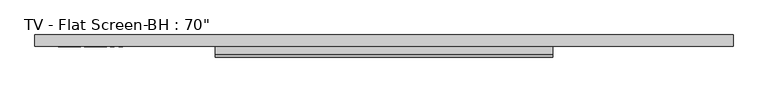
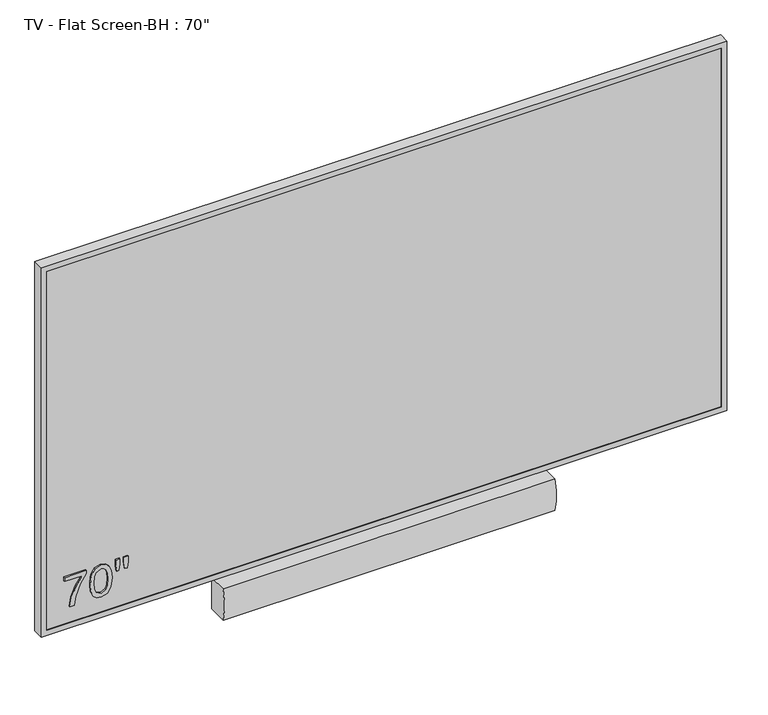
"""IFC4 building model written with IfcOpenShell, lengths in millimetres: proxy geometry."""

import ifcopenshell
import ifcopenshell.guid

model = None  # the IFC model being written
_history = None  # IfcOwnerHistory: only IFC2X3 demands one
_inside = {}  # id of a spatial element -> (the spatial element, [elements in it])
_under = {}  # id of a project, library or spatial element -> (it, [spatial elements below it])
_declared = {}  # id of a project -> (the project, [libraries it declares])
_typed = {}  # id of a type object -> (the type object, [elements of that type])
_made_of = {}  # id of a material, layer set ... -> (it, [elements and type objects made of it])


def new_model(schema):
    """Start an empty IFC model of exactly this schema.

    Asked for "IFC4X3", IfcOpenShell would pick the latest addendum, in which some entities
    have other attributes; the version numbers below select the first issue.
    IFC2X3 requires an IfcOwnerHistory on every rooted entity: one is made here for all.
    """
    global model, _history
    if schema == "IFC4X3":
        model = ifcopenshell.file(schema_version=(4, 3, 0, 0))
    else:
        model = ifcopenshell.file(schema=schema)
    _inside.clear()
    _under.clear()
    _declared.clear()
    _typed.clear()
    _made_of.clear()
    _history = None
    if model.schema == "IFC2X3":
        org = make("IfcOrganization", Name="unknown")
        user = make(
            "IfcPersonAndOrganization",
            ThePerson=make("IfcPerson", FamilyName="unknown"),
            TheOrganization=org,
        )
        app = make(
            "IfcApplication",
            ApplicationDeveloper=org,
            Version="unknown",
            ApplicationFullName="unknown",
            ApplicationIdentifier="unknown",
        )
        _history = make(
            "IfcOwnerHistory",
            OwningUser=user,
            OwningApplication=app,
            ChangeAction="ADDED",
            CreationDate=0,
        )
    return model


def make(cls, **values):
    """One entity of the class cls with the attributes given. An attribute that is None is left unset."""
    return model.create_entity(
        cls, **{name: value for name, value in values.items() if value is not None}
    )


def rooted(cls, **values):
    """An entity with a GlobalId (a new one), such as an element, a storey or a relation."""
    return make(cls, GlobalId=ifcopenshell.guid.new(), OwnerHistory=_history, **values)


def si_unit(unit_type, name, prefix=None):
    """IfcSIUnit, for example si_unit("LENGTHUNIT", "METRE", prefix="MILLI")."""
    return make("IfcSIUnit", UnitType=unit_type, Prefix=prefix, Name=name)


def assignment(units):
    """IfcUnitAssignment: the units of a project."""
    return None if units is None else make("IfcUnitAssignment", Units=units)


def point(xyz):
    """IfcCartesianPoint."""
    return None if xyz is None else make("IfcCartesianPoint", Coordinates=xyz)


def direction(xyz):
    """IfcDirection."""
    return None if xyz is None else make("IfcDirection", DirectionRatios=xyz)


def frame(location, z_axis=None, x_axis=None):
    """IfcAxis2Placement3D, a coordinate frame: its origin and axes. An axis left out is left unset."""
    return make(
        "IfcAxis2Placement3D",
        Location=point(location),
        Axis=direction(z_axis),
        RefDirection=direction(x_axis),
    )


def frame_2d(location, x_axis=None):
    """IfcAxis2Placement2D, a coordinate frame in the plane: its origin and x axis."""
    return make(
        "IfcAxis2Placement2D", Location=point(location), RefDirection=direction(x_axis)
    )


def origin():
    """The frame at (0, 0, 0) with its axes left unset."""
    return frame((0.0, 0.0, 0.0))


def place(relative_to, where):
    """IfcLocalPlacement: puts the frame where relative to a parent placement (None: the world)."""
    return make(
        "IfcLocalPlacement", PlacementRelTo=relative_to, RelativePlacement=where
    )


def context(
    kind, dimensions, precision=None, world=None, true_north=None, identifier=None
):
    """IfcGeometricRepresentationContext, for example the 3D "Model" context."""
    return make(
        "IfcGeometricRepresentationContext",
        ContextIdentifier=identifier,
        ContextType=kind,
        CoordinateSpaceDimension=dimensions,
        Precision=precision,
        WorldCoordinateSystem=world,
        TrueNorth=true_north,
    )


def project(units=None, contexts=None):
    """IfcProject with its units and contexts."""
    return rooted(
        "IfcProject",
        Name="project",
        RepresentationContexts=contexts,
        UnitsInContext=assignment(units),
    )


def spatial(cls, under=None, at=None, **own):
    """A site, building, storey or space (cls), placed at a placement, below another one or the project."""
    s = rooted(cls, ObjectPlacement=at, **own)
    if under is not None:
        _under.setdefault(under.id(), (under, []))[1].append(s)
    return s


def polyline(points):
    """IfcPolyline through the points."""
    return make("IfcPolyline", Points=[point(p) for p in points])


def circle_curve(where, radius):
    """IfcCircle in the frame where."""
    return make("IfcCircle", Position=where, Radius=radius)


def trimmed(basis, trim1, trim2, sense, master):
    """IfcTrimmedCurve: the piece of a basis curve between two trims."""
    return make(
        "IfcTrimmedCurve",
        BasisCurve=basis,
        Trim1=trim1,
        Trim2=trim2,
        SenseAgreement=sense,
        MasterRepresentation=master,
    )


def segment(curve, same_sense, transition):
    """IfcCompositeCurveSegment."""
    return make(
        "IfcCompositeCurveSegment",
        Transition=transition,
        SameSense=same_sense,
        ParentCurve=curve,
    )


def composite_curve(segments, self_intersect=None):
    """IfcCompositeCurve: segments joined end to end."""
    return make("IfcCompositeCurve", Segments=segments, SelfIntersect=self_intersect)


def outline(outer, holes=None, kind="AREA"):
    """IfcArbitraryClosedProfileDef: a profile drawn as a closed curve; with holes, ...WithVoids."""
    if holes is None:
        return make("IfcArbitraryClosedProfileDef", ProfileType=kind, OuterCurve=outer)
    return make(
        "IfcArbitraryProfileDefWithVoids",
        ProfileType=kind,
        OuterCurve=outer,
        InnerCurves=holes,
    )


def extrude(swept, where, along, depth):
    """IfcExtrudedAreaSolid: the profile swept, set in the frame where, extruded along a direction by depth."""
    return make(
        "IfcExtrudedAreaSolid",
        SweptArea=swept,
        Position=where,
        ExtrudedDirection=direction(along),
        Depth=depth,
    )


def faces_of(points, faces, orient=None, outer=None):
    """IfcFace entities. A face is a list of loops; a loop is a list of indices into points, from 0.

    orient and outer hold one flag for each loop. By default every Orientation is true, the
    first loop of a face is its IfcFaceOuterBound and the others are IfcFaceBound.
    """
    made = []
    for i, loops in enumerate(faces):
        bounds = []
        for j, loop in enumerate(loops):
            is_outer = j == 0 if outer is None else outer[i][j]
            bounds.append(
                make(
                    "IfcFaceOuterBound" if is_outer else "IfcFaceBound",
                    Bound=make("IfcPolyLoop", Polygon=[points[k] for k in loop]),
                    Orientation=True if orient is None else orient[i][j],
                )
            )
        made.append(make("IfcFace", Bounds=bounds))
    return made


def faceted_brep(points, faces, orient=None, outer=None, voids=None):
    """IfcFacetedBrep: a solid bounded by flat faces; with voids (closed shells), ...WithVoids."""
    shared = [point(p) for p in points]
    hull = make("IfcClosedShell", CfsFaces=faces_of(shared, faces, orient, outer))
    if voids is None:
        return make("IfcFacetedBrep", Outer=hull)
    return make(
        "IfcFacetedBrepWithVoids",
        Outer=hull,
        Voids=[
            make(cls, CfsFaces=faces_of(shared, fs, o, b)) for cls, fs, o, b in voids
        ],
    )


def shape(context_of_items, identifier, shape_type, items):
    """IfcShapeRepresentation: the items that make up one representation, for example the "Body"."""
    return make(
        "IfcShapeRepresentation",
        ContextOfItems=context_of_items,
        RepresentationIdentifier=identifier,
        RepresentationType=shape_type,
        Items=items,
    )


def source(mapping_origin, context_of_items, identifier, shape_type, items):
    """IfcRepresentationMap: a shape defined once, which mapped items show again and again."""
    return make(
        "IfcRepresentationMap",
        MappingOrigin=mapping_origin,
        MappedRepresentation=shape(context_of_items, identifier, shape_type, items),
    )


def transform(
    local_origin,
    x_axis=None,
    y_axis=None,
    z_axis=None,
    scale=None,
    scale2=None,
    scale3=None,
    uniform=True,
):
    """IfcCartesianTransformationOperator3D, or its non-uniform kind. x_axis, y_axis, z_axis: its Axis1, 2, 3."""
    if uniform:
        return make(
            "IfcCartesianTransformationOperator3D",
            Axis1=direction(x_axis),
            Axis2=direction(y_axis),
            LocalOrigin=point(local_origin),
            Scale=scale,
            Axis3=direction(z_axis),
        )
    return make(
        "IfcCartesianTransformationOperator3DnonUniform",
        Axis1=direction(x_axis),
        Axis2=direction(y_axis),
        LocalOrigin=point(local_origin),
        Scale=scale,
        Axis3=direction(z_axis),
        Scale2=scale2,
        Scale3=scale3,
    )


def mapped(mapping_source, mapping_target):
    """IfcMappedItem: shows the shape of a source again, moved by a transform."""
    return make(
        "IfcMappedItem", MappingSource=mapping_source, MappingTarget=mapping_target
    )


def made_of(thing, what):
    """Note that an element or type object is made of a material, layer set ...; save() writes the relation."""
    if what is not None:
        _made_of.setdefault(what.id(), (what, []))[1].append(thing)
    return thing


def element(
    cls,
    number,
    at=None,
    inside=None,
    cuts=None,
    type_object=None,
    material=None,
    context=None,
    identifier="Body",
    shape_type=None,
    held_by="IfcProductDefinitionShape",
    body=None,
    shapes=None,
    **own,
):
    """One element of the class cls, such as IfcWall. Its Tag is "e" and its number.

    at: its placement. inside: the storey or other place that contains it. cuts: it is an
    opening in that element (IfcRelVoidsElement). A single representation is given by context,
    identifier, shape_type and body (its items); several are given by shapes. held_by: the class
    of the entity that holds the representations. save() writes the other relations.
    """
    e = rooted(cls, Tag="e%d" % number, ObjectPlacement=at, **own)
    if body is not None:
        shapes = [shape(context, identifier, shape_type, body)]
    if shapes is not None:
        e.Representation = make(held_by, Representations=shapes)
    if inside is not None:
        _inside.setdefault(inside.id(), (inside, []))[1].append(e)
    if cuts is not None:
        rooted(
            "IfcRelVoidsElement", RelatingBuildingElement=cuts, RelatedOpeningElement=e
        )
    if type_object is not None:
        _typed.setdefault(type_object.id(), (type_object, []))[1].append(e)
    return made_of(e, material)


def aggregate(whole, parts):
    """IfcRelAggregates: a whole, such as a stair, and the parts it consists of."""
    return rooted("IfcRelAggregates", RelatingObject=whole, RelatedObjects=parts)


def save(model, path):
    """Write the relations noted so far, then the file.

    IfcRelAggregates (storeys below a building ...), IfcRelContainedInSpatialStructure (elements
    in a storey), IfcRelDefinesByType, IfcRelAssociatesMaterial and IfcRelDeclares: one each for
    every whole, place, type object, material and project.
    """
    for whole, parts in _under.values():
        aggregate(whole, parts)
    for where, things in _inside.values():
        rooted(
            "IfcRelContainedInSpatialStructure",
            RelatedElements=things,
            RelatingStructure=where,
        )
    for kind, things in _typed.values():
        rooted("IfcRelDefinesByType", RelatedObjects=things, RelatingType=kind)
    for what, things in _made_of.values():
        rooted("IfcRelAssociatesMaterial", RelatedObjects=things, RelatingMaterial=what)
    for by, libraries in _declared.values():
        rooted("IfcRelDeclares", RelatingContext=by, RelatedDefinitions=libraries)
    model.write(path)


def proxy_197eb5d0(model_context):
    return source(origin(), model_context, "Body", "SolidModel", [
        extrude(outline(polyline([(225.3572531, -738.7704304), (225.3572531, -698.1044603), (205.5568876, -712.5692861), (181.1591745, -723.0067604), (159.5740663, -726.8098509), (159.5740663, -717.2413874), (180.3742614, -713.6905904), (206.6034383, -702.7859058), (227.1887168, -688.5359968), (234.9257167, -688.5359968), (234.9257167, -738.7704304), (225.3572531, -738.7704304)])), frame((0.0, 31.5511236, 0.0), z_axis=(0.0, 1.0, 0.0), x_axis=(0.0, 0.0, 1.0)), (0.0, 0.0, 1.0), 3.175),
        extrude(outline(polyline([(197.2312031, -680.1635912), (178.6128792, -678.2573738), (165.6664864, -672.5387218), (160.2001279, -664.988606), (158.3780083, -655.0463744), (162.5735553, -641.0394146), (175.3003594, -632.71373), (197.2312031, -629.9291576), (215.2187932, -631.6671793), (226.5439669, -636.1523966), (233.6549051, -643.870708), (236.1217746, -655.0463744), (231.9542602, -668.997269), (219.2554888, -677.3509862), (197.2312031, -680.1635912)]), holes=[polyline([(197.2498915, -670.5951276), (212.1071737, -669.4364465), (221.432688, -665.9604031), (226.5533111, -655.1585048), (225.1002875, -648.8324796), (220.741217, -643.8333312), (211.9623386, -640.5815486), (197.2498915, -639.4976211), (182.2220775, -640.6189254), (173.5062725, -643.9828384), (167.9464719, -655.0463744), (173.4875841, -666.1099103), (182.198717, -669.4738233), (197.2498915, -670.5951276)])]), frame((0.0, 31.5511236, 0.0), z_axis=(0.0, 1.0, 0.0), x_axis=(0.0, 0.0, 1.0)), (0.0, 0.0, 1.0), 3.175),
        extrude(outline(polyline([(208.6124419, -619.2207013), (208.6124419, -614.0813898), (223.3949706, -611.9882884), (236.1217746, -611.9882884), (236.1217746, -621.556752), (223.3949706, -621.556752), (208.6124419, -619.2207013)])), frame((0.0, 31.5511236, 0.0), z_axis=(0.0, 1.0, 0.0), x_axis=(0.0, 0.0, 1.0)), (0.0, 0.0, 1.0), 3.175),
        extrude(outline(polyline([(208.6124419, -600.1398394), (208.6124419, -595.09397), (223.3949706, -592.8513613), (236.1217746, -592.8513613), (236.1217746, -602.4198249), (223.3949706, -602.4198249), (208.6124419, -600.1398394)])), frame((0.0, 31.5511236, 0.0), z_axis=(0.0, 1.0, 0.0), x_axis=(0.0, 0.0, 1.0)), (0.0, 0.0, 1.0), 3.175),
        extrude(outline(composite_curve([segment(polyline([(58.5386236, 18.4), (13.6588749, 18.4)]), True, "CONTINUOUS"), segment(trimmed(circle_curve(frame_2d((144.9214577, 56.5)), 136.6801948), [point((13.6588749, 18.4))], [point((13.6588749, 94.6))], False, "CARTESIAN"), True, "CONTINUOUS"), segment(polyline([(13.6588749, 94.6), (58.5386236, 94.6), (58.5386236, 18.4)]), True, "CONTINUOUS")], self_intersect=False)), frame((-384.9445141, 0.0, 0.0), z_axis=(1.0, 0.0, 0.0), x_axis=(0.0, 1.0, 0.0)), (0.0, 0.0, 1.0), 762.0),
        extrude(outline(polyline([(770.8690492, 34.7261236), (-778.7580775, 34.7261236), (-778.7580775, 37.9011236), (770.8690492, 37.9011236), (770.8690492, 34.7261236)])), frame((0.0, 0.0, 120.0), z_axis=(0.0, 0.0, 1.0), x_axis=(1.0, 0.0, 0.0)), (0.0, 0.0, 1.0), 871.7452426),
        faceted_brep([(-791.4580775, 58.5386236, 107.3), (-791.4580775, 58.5386236, 1004.4452426), (783.5690492, 58.5386236, 1004.4452426), (783.5690492, 58.5386236, 107.3), (-791.4580775, 33.1386236, 107.3), (783.5690492, 33.1386236, 107.3), (783.5690492, 33.1386236, 1004.4452426), (-791.4580775, 33.1386236, 1004.4452426), (-778.7580775, 33.1386236, 120.0), (-778.7580775, 33.1386236, 991.7452426), (770.8690492, 33.1386236, 991.7452426), (770.8690492, 33.1386236, 120.0), (-778.7580775, 37.9011236, 120.0), (770.8690492, 37.9011236, 120.0), (770.8690492, 37.9011236, 991.7452426), (-778.7580775, 37.9011236, 991.7452426)], [[[0, 1, 2, 3]], [[4, 5, 6, 7], [8, 9, 10, 11]], [[0, 3, 5, 4]], [[3, 2, 6, 5]], [[2, 1, 7, 6]], [[1, 0, 4, 7]], [[12, 13, 14, 15]], [[12, 15, 9, 8]], [[15, 14, 10, 9]], [[14, 13, 11, 10]], [[13, 12, 8, 11]]]),
    ])


if __name__ == "__main__":
    model = new_model("IFC4")
    model_context = context("Model", 3, world=origin())
    ifc_project = project(units=[si_unit("LENGTHUNIT", "METRE", prefix="MILLI")], contexts=[model_context])
    site = spatial("IfcSite", under=ifc_project)
    building = spatial("IfcBuilding", under=site)
    placement = place(None, origin())
    proxy_shape = proxy_197eb5d0(model_context)
    element("IfcBuildingElementProxy", 1, Name="TV - Flat Screen-BH : 70\"", ObjectType="TV - Flat Screen-BH : 70\"", at=placement, inside=building, context=model_context, shape_type="MappedRepresentation", body=[
        mapped(proxy_shape, transform((0.0, 0.0, 0.0), x_axis=(1.0, 0.0, 0.0), y_axis=(0.0, 1.0, 0.0), z_axis=(0.0, 0.0, 1.0))),
    ])
    save(model, "model.ifc")
